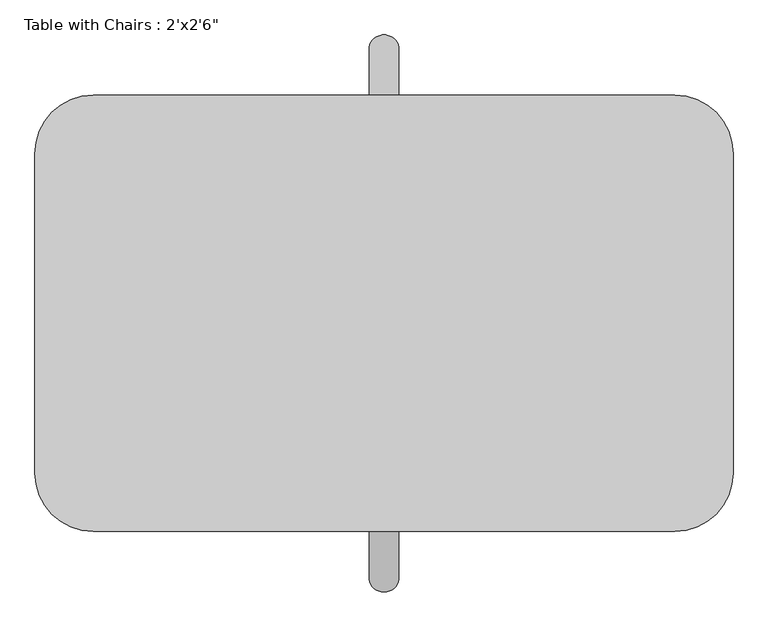
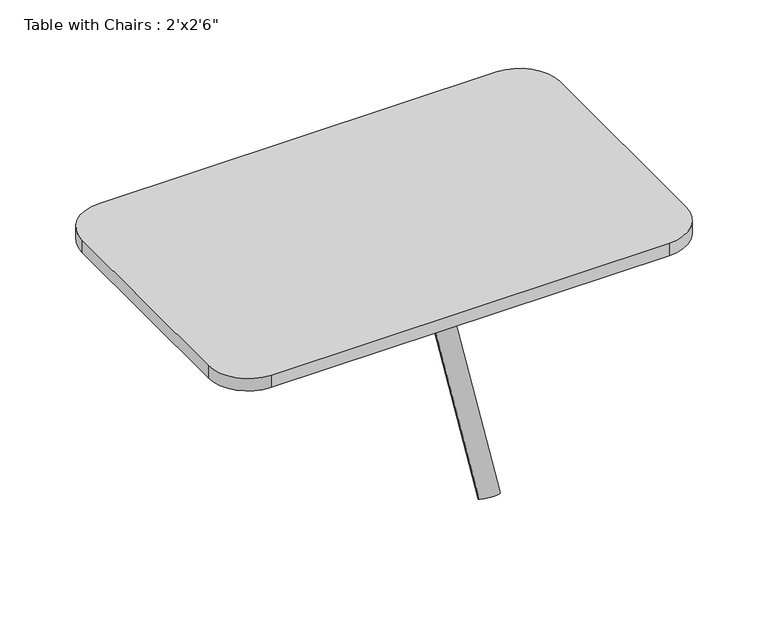
"""IFC4 building model written with IfcOpenShell, lengths in millimetres: furniture geometry."""

from ifc_helpers import new_model, si_unit, point, frame, frame_2d, origin, place, context, project, spatial, polyline, circle_curve, trimmed, segment, composite_curve, outline, extrude, source, transform, mapped, element, save


def furniture_2952abf0(model_context):
    return source(origin(), model_context, "Body", "SweptSolid", [
        extrude(outline(composite_curve([segment(trimmed(circle_curve(frame_2d((0.0, -25.4)), 25.4), [point((0.0, -50.8))], [point((0.0, 0.0))], False, "CARTESIAN"), True, "CONTINUOUS"), segment(trimmed(circle_curve(frame_2d((0.0, -25.4)), 25.4), [point((0.0, 0.0))], [point((0.0, -50.8))], False, "CARTESIAN"), True, "CONTINUOUS")], self_intersect=False)), frame((25.4, 464.7106025, 342.6815006), z_axis=(0.0, -0.49999999999999983, 0.8660254037844388), x_axis=(0.0, -0.8660254037844388, -0.49999999999999983)), (0.0, 0.0, 1.0), 501.4645704),
        extrude(outline(composite_curve([segment(trimmed(circle_curve(frame_2d((0.0, -25.4)), 25.4), [point((0.0, -50.8))], [point((0.0, 0.0))], False, "CARTESIAN"), True, "CONTINUOUS"), segment(trimmed(circle_curve(frame_2d((0.0, -25.4)), 25.4), [point((0.0, 0.0))], [point((0.0, -50.8))], False, "CARTESIAN"), True, "CONTINUOUS")], self_intersect=False)), frame((25.4, -464.7106025, 342.6815006), z_axis=(0.0, 0.49999999999999983, 0.8660254037844388), x_axis=(0.0, -0.8660254037844388, 0.49999999999999983)), (0.0, 0.0, 1.0), 498.7793381),
        extrude(outline(composite_curve([segment(trimmed(circle_curve(frame_2d((508.0, 279.4)), 101.6), [point((508.0, 381.0))], [point((609.6, 279.4))], False, "CARTESIAN"), True, "CONTINUOUS"), segment(polyline([(609.6, 279.4), (609.6, -279.4)]), True, "CONTINUOUS"), segment(trimmed(circle_curve(frame_2d((508.0, -279.4)), 101.6), [point((609.6, -279.4))], [point((508.0, -381.0))], False, "CARTESIAN"), True, "CONTINUOUS"), segment(polyline([(508.0, -381.0), (-508.0, -381.0)]), True, "CONTINUOUS"), segment(trimmed(circle_curve(frame_2d((-508.0, -279.4)), 101.6), [point((-508.0, -381.0))], [point((-609.6, -279.4))], False, "CARTESIAN"), True, "CONTINUOUS"), segment(polyline([(-609.6, -279.4), (-609.6, 279.4)]), True, "CONTINUOUS"), segment(trimmed(circle_curve(frame_2d((-508.0, 279.4)), 101.6), [point((-609.6, 279.4))], [point((-508.0, 381.0))], False, "CARTESIAN"), True, "CONTINUOUS"), segment(polyline([(-508.0, 381.0), (508.0, 381.0)]), True, "CONTINUOUS")], self_intersect=False)), frame((0.0, 0.0, 762.0), z_axis=(0.0, 0.0, 1.0), x_axis=(1.0, 0.0, 0.0)), (0.0, 0.0, 1.0), 33.5451862),
    ])


if __name__ == "__main__":
    model = new_model("IFC4")
    model_context = context("Model", 3, world=origin())
    ifc_project = project(units=[si_unit("LENGTHUNIT", "METRE", prefix="MILLI")], contexts=[model_context])
    site = spatial("IfcSite", under=ifc_project)
    building = spatial("IfcBuilding", under=site)
    placement = place(None, origin())
    furniture_shape = furniture_2952abf0(model_context)
    element("IfcFurniture", 1, ObjectType="Table with Chairs : 2'x2'6\"", at=placement, inside=building, context=model_context, shape_type="MappedRepresentation", body=[
        mapped(furniture_shape, transform((0.0, 0.0, 0.0), x_axis=(1.0, 0.0, 0.0), y_axis=(0.0, 1.0, 0.0), z_axis=(0.0, 0.0, 1.0))),
    ])
    save(model, "model.ifc")
